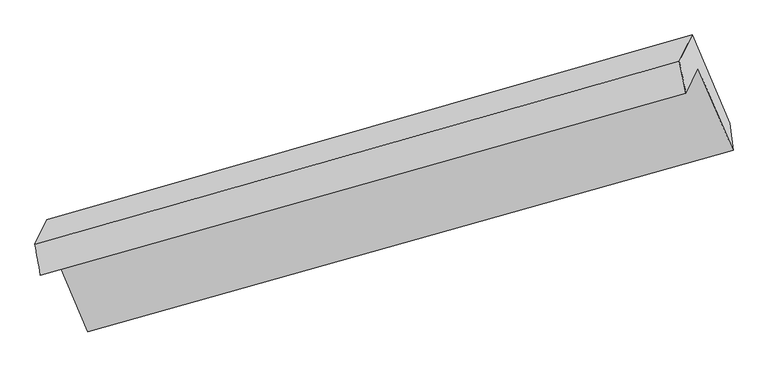
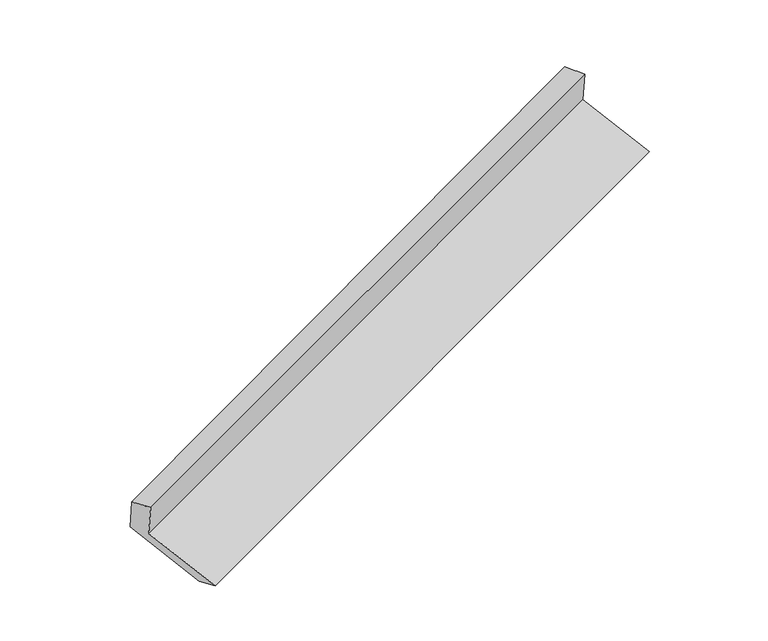
"""IFC4 building model written with IfcOpenShell, lengths in millimetres: proxy geometry."""

from ifc_helpers import new_model, si_unit, frame, origin, place, context, project, spatial, source, transform, mapped, element, save
from ifc_brep_helpers import plane_surface, spline_surface, advanced_brep


def generic_models_b359d4a5(model_context):
    return source(origin(), model_context, "Body", "AdvancedBrep", [
        advanced_brep(
        [(-5149.1907968, -2146.9231979, 1476.6750093), (-5066.092183, -1974.5691434, 1112.1337148), (-723.0122685, -754.148918, 2701.7544764), (-804.0924843, -922.3166322, 3057.4413582), (-5186.3269507, -1938.5476368, 1413.1593182), (-848.4043163, -707.8516193, 3008.7654393), (-5107.2651329, -1774.5662629, 1066.3268491), (-762.9599524, -530.6322664, 2633.933687), (-4859.7451941, -2355.026778, 848.3099586), (-508.8327102, -1126.5876088, 2410.0970482), (-4829.6945437, -2528.9466861, 903.9134055), (-486.6146293, -1308.5264606, 2493.5341671)],
        [
            (0, 1),
            (1, 2),
            (2, 3),
            (3, 0),
            (4, 0),
            (3, 5),
            (5, 4),
            (6, 4),
            (5, 7),
            (7, 6),
            (8, 6),
            (7, 9),
            (9, 8),
            (10, 8),
            (9, 11),
            (11, 10),
            (1, 10),
            (11, 2),
        ],
        [
            plane_surface(frame((-5107.6414899, -2060.7461707, 1294.4043621), z_axis=(0.36505017578168986, -0.8710608490332264, -0.32862039870232096), x_axis=(0.20183980007460744, 0.418634034216547, -0.885441268804104))),
            spline_surface(1, 1, [[(-5186.3269507, -1938.5476368, 1413.1593182), (-848.4043163, -707.8516193, 3008.7654393)], [(-5149.1907968, -2146.9231979, 1476.6750093), (-804.0924843, -922.3166322, 3057.4413582)]], [2, 2], [2, 2], [0.0, 1.0], [0.0, 1.0]),
            plane_surface(frame((-5146.7960418, -1856.5569498, 1239.7430836), z_axis=(-0.367481118018076, 0.870370209456672, 0.32773972354680153), x_axis=(-0.20183980007460708, -0.41863403421654716, 0.885441268804104))),
            plane_surface(frame((-4983.5051635, -2064.7965204, 957.3184038), z_axis=(0.20002311091770048, 0.41810754500118763, -0.8861020459923818), x_axis=(-0.3707433190091455, 0.8694324138374101, 0.32655270505530587))),
            spline_surface(1, 1, [[(-4829.6945437, -2528.9466861, 903.9134055), (-486.6146293, -1308.5264606, 2493.5341671)], [(-4859.7451941, -2355.026778, 848.3099586), (-508.8327102, -1126.5876088, 2410.0970482)]], [2, 2], [2, 2], [0.0, 1.0], [0.0, 1.0]),
            plane_surface(frame((-4947.8933634, -2251.7579147, 1008.0235602), z_axis=(-0.20562864423864158, -0.41972741078426856, 0.8840507685110129), x_axis=(0.37074331900915564, -0.8694324138374019, -0.3265527050553163))),
            plane_surface(frame((-688.9860602, -891.6772509, 2717.587696), z_axis=(0.9065374159492401, 0.26236010208191735, 0.33069183588295675), x_axis=(-0.3707433190091455, 0.8694324138374101, 0.32655270505530587))),
            plane_surface(frame((-5033.0524669, -2119.7632842, 1136.7530426), z_axis=(-0.906537415949229, -0.2623601020819434, -0.3306918358829669), x_axis=(-0.20183980007460764, -0.41863403421654677, 0.8854412688041041))),
        ],
        [
            (0, [[1, 2, 3, 4]]),
            (1, [[5, -4, 6, 7]]),
            (2, [[8, -7, 9, 10]]),
            (3, [[11, -10, 12, 13]]),
            (4, [[14, -13, 15, 16]]),
            (5, [[17, -16, 18, -2]]),
            (6, [[-12, -9, -6, -3, -18, -15]]),
            (7, [[-1, -5, -8, -11, -14, -17]]),
        ],
    ),
    ])


if __name__ == "__main__":
    model = new_model("IFC4")
    model_context = context("Model", 3, world=origin())
    ifc_project = project(units=[si_unit("LENGTHUNIT", "METRE", prefix="MILLI")], contexts=[model_context])
    site = spatial("IfcSite", under=ifc_project)
    building = spatial("IfcBuilding", under=site)
    placement = place(None, origin())
    generic_models_shape = generic_models_b359d4a5(model_context)
    element("IfcBuildingElementProxy", 1, Name="Generic Models", at=placement, inside=building, context=model_context, shape_type="MappedRepresentation", body=[
        mapped(generic_models_shape, transform((0.0, 0.0, 0.0), x_axis=(1.0, 0.0, 0.0), y_axis=(0.0, 1.0, 0.0), z_axis=(0.0, 0.0, 1.0))),
    ])
    save(model, "model.ifc")
